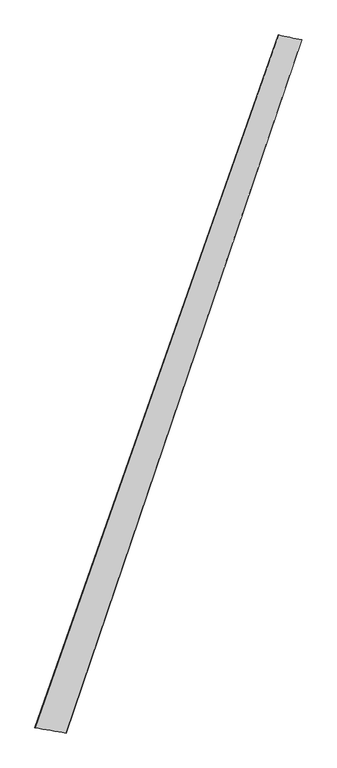
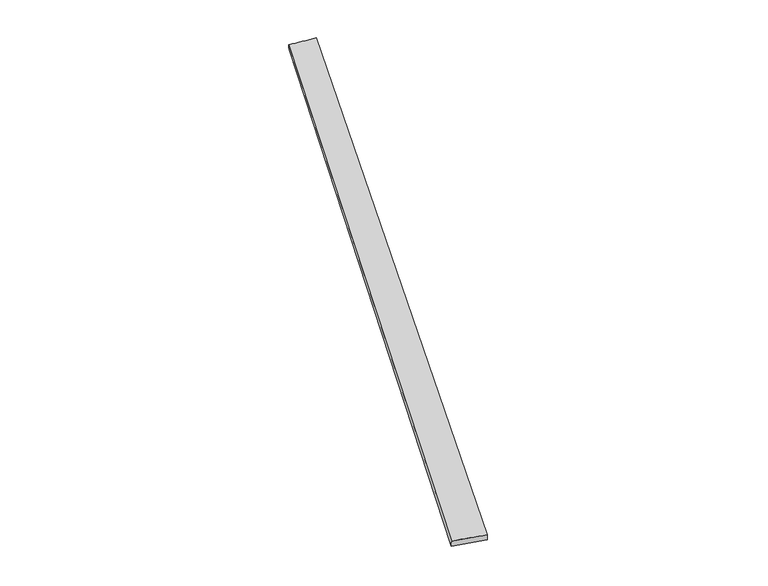
"""IFC4 building model written with IfcOpenShell, lengths in millimetres: proxy geometry."""

from ifc_helpers import new_model, si_unit, origin, place, context, project, spatial, source, transform, mapped, element, save
from ifc_brep_helpers import spline_surface, advanced_brep


def generic_models_1f72b5cb(model_context):
    return source(origin(), model_context, "Body", "AdvancedBrep", [
        advanced_brep(
        [(-716.9923812, -1816.380699, 3.9256138), (-716.2117349, -1816.5883138, 33.9147366), (705.6148375, 2227.0330942, 24.7304965), (707.8155257, 2226.1901191, -5.1767997), (-533.16853, -1847.8828229, 26.0107639), (842.0709091, 2198.0320402, 35.1107629), (-534.8923717, -1847.227616, -3.9325003), (844.0692272, 2197.4181959, 5.1836862)],
        [
            (0, 1),
            (1, 2),
            (2, 3),
            (3, 0),
            (1, 4),
            (4, 5),
            (5, 2),
            (4, 6),
            (6, 7),
            (7, 5),
            (6, 0),
            (3, 7),
        ],
        [
            spline_surface(1, 1, [[(-716.9923812, -1816.380699, 3.9256138), (707.8155257, 2226.1901191, -5.1767997)], [(-716.2117349, -1816.5883138, 33.9147366), (705.6148375, 2227.0330942, 24.7304965)]], [2, 2], [2, 2], [0.0, 1.0], [0.0, 1.0]),
            spline_surface(1, 1, [[(-716.2117349, -1816.5883138, 33.9147366), (705.6148375, 2227.0330942, 24.7304965)], [(-533.16853, -1847.8828229, 26.0107639), (842.0709091, 2198.0320402, 35.1107629)]], [2, 2], [2, 2], [0.0, 1.0], [0.0, 1.0]),
            spline_surface(1, 1, [[(-533.16853, -1847.8828229, 26.0107639), (842.0709091, 2198.0320402, 35.1107629)], [(-534.8923717, -1847.227616, -3.9325003), (844.0692272, 2197.4181959, 5.1836862)]], [2, 2], [2, 2], [0.0, 1.0], [0.0, 1.0]),
            spline_surface(1, 1, [[(-534.8923717, -1847.227616, -3.9325003), (844.0692272, 2197.4181959, 5.1836862)], [(-716.9923812, -1816.380699, 3.9256138), (707.8155257, 2226.1901191, -5.1767997)]], [2, 2], [2, 2], [0.0, 1.0], [0.0, 1.0]),
            spline_surface(1, 1, [[(705.6148375, 2227.0330942, 24.7304965), (707.8155257, 2226.1901191, -5.1767997)], [(842.0709091, 2198.0320402, 35.1107629), (844.0692272, 2197.4181959, 5.1836862)]], [2, 2], [2, 2], [0.0, 1.0], [0.0, 1.0]),
            spline_surface(1, 1, [[(-534.8923717, -1847.227616, -3.9325003), (-716.9923812, -1816.380699, 3.9256138)], [(-533.16853, -1847.8828229, 26.0107639), (-716.2117349, -1816.5883138, 33.9147366)]], [2, 2], [2, 2], [0.0, 1.0], [0.0, 1.0]),
        ],
        [
            (0, [[1, 2, 3, 4]]),
            (1, [[5, 6, 7, -2]]),
            (2, [[8, 9, 10, -6]]),
            (3, [[11, -4, 12, -9]]),
            (4, [[-3, -7, -10, -12]]),
            (5, [[-11, -8, -5, -1]]),
        ],
    ),
    ])


if __name__ == "__main__":
    model = new_model("IFC4")
    model_context = context("Model", 3, world=origin())
    ifc_project = project(units=[si_unit("LENGTHUNIT", "METRE", prefix="MILLI")], contexts=[model_context])
    site = spatial("IfcSite", under=ifc_project)
    building = spatial("IfcBuilding", under=site)
    placement = place(None, origin())
    generic_models_shape = generic_models_1f72b5cb(model_context)
    element("IfcBuildingElementProxy", 1, Name="Generic Models", at=placement, inside=building, context=model_context, shape_type="MappedRepresentation", body=[
        mapped(generic_models_shape, transform((0.0, 0.0, 0.0), x_axis=(1.0, 0.0, 0.0), y_axis=(0.0, 1.0, 0.0), z_axis=(0.0, 0.0, 1.0))),
    ])
    save(model, "model.ifc")
